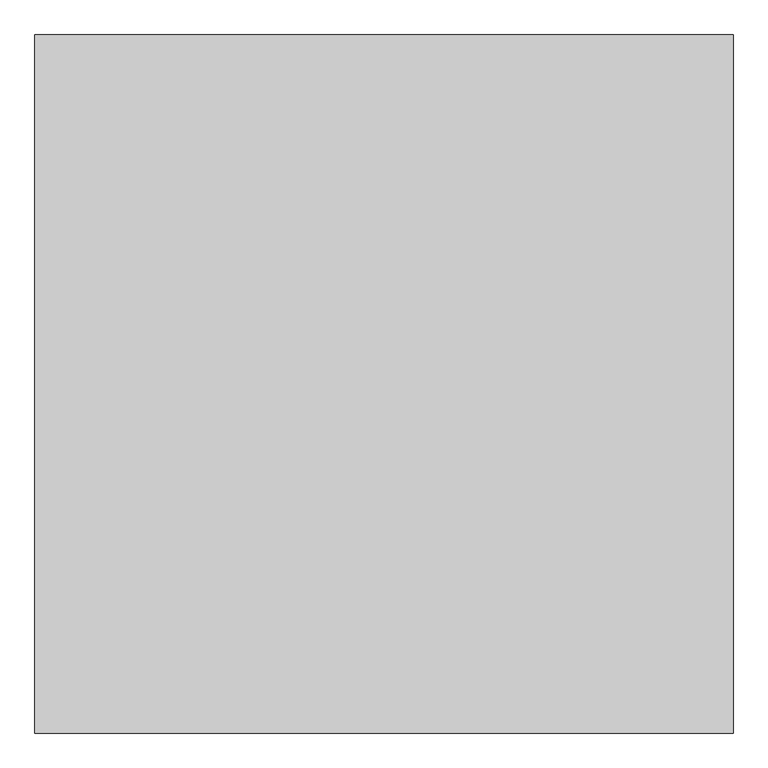
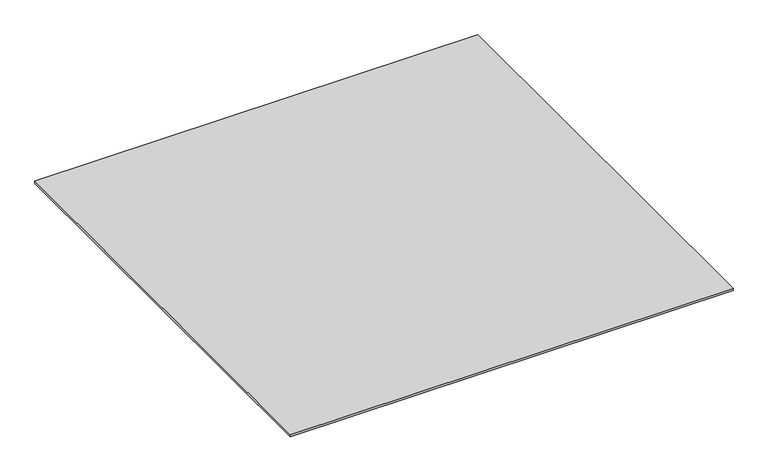
"""IFC4 building model written with IfcOpenShell, lengths in millimetres: proxy geometry."""

from ifc_helpers import new_model, si_unit, origin, origin_with_axes, place, context, project, spatial, polyline, outline, extrude, source, transform, mapped, element, save


def generic_models_b98aa3f3(model_context):
    return source(origin(), model_context, "Body", "SweptSolid", [
        extrude(outline(polyline([(-5755.396328, -30778.0478908), (-5755.396328, -31778.0478908), (-6755.396328, -31778.0478908), (-6755.396328, -30778.0478908), (-5755.396328, -30778.0478908)])), origin_with_axes(), (0.0, 0.0, 1.0), 5.0),
    ])


if __name__ == "__main__":
    model = new_model("IFC4")
    model_context = context("Model", 3, world=origin())
    ifc_project = project(units=[si_unit("LENGTHUNIT", "METRE", prefix="MILLI")], contexts=[model_context])
    site = spatial("IfcSite", under=ifc_project)
    building = spatial("IfcBuilding", under=site)
    placement = place(None, origin())
    generic_models_shape = generic_models_b98aa3f3(model_context)
    element("IfcBuildingElementProxy", 1, Name="Generic Models", at=placement, inside=building, context=model_context, shape_type="MappedRepresentation", body=[
        mapped(generic_models_shape, transform((0.0, 0.0, 0.0), x_axis=(1.0, 0.0, 0.0), y_axis=(0.0, 1.0, 0.0), z_axis=(0.0, 0.0, 1.0))),
    ])
    save(model, "model.ifc")
